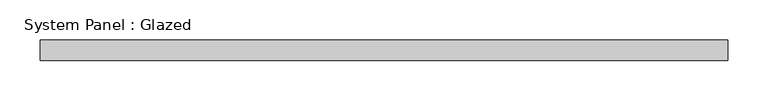
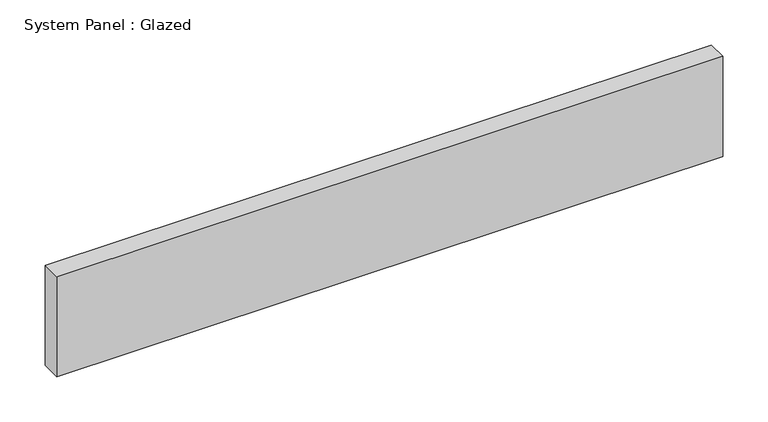
"""IFC4 building model written with IfcOpenShell, lengths in millimetres: plate geometry, System Panel : Glazed."""

from ifc_helpers import new_model, si_unit, origin, origin_with_axes, place, context, project, spatial, polyline, outline, extrude, source, transform, mapped, element, save


def system_panel_glazed_07f8dbbd(model_context):
    return source(origin(), model_context, "Body", "SweptSolid", [
        extrude(outline(polyline([(425.0, -49.5), (-425.0, -49.5), (-425.0, -24.5), (425.0, -24.5), (425.0, -49.5)])), origin_with_axes(), (0.0, 0.0, 1.0), 135.0),
    ])


if __name__ == "__main__":
    model = new_model("IFC4")
    model_context = context("Model", 3, world=origin())
    ifc_project = project(units=[si_unit("LENGTHUNIT", "METRE", prefix="MILLI")], contexts=[model_context])
    site = spatial("IfcSite", under=ifc_project)
    building = spatial("IfcBuilding", under=site)
    placement = place(None, origin())
    system_panel_glazed_shape = system_panel_glazed_07f8dbbd(model_context)
    element("IfcPlate", 1, ObjectType="System Panel : Glazed", at=placement, inside=building, context=model_context, shape_type="MappedRepresentation", body=[
        mapped(system_panel_glazed_shape, transform((0.0, 0.0, 0.0), x_axis=(1.0, 0.0, 0.0), y_axis=(0.0, 1.0, 0.0), z_axis=(0.0, 0.0, 1.0))),
    ])
    save(model, "model.ifc")
